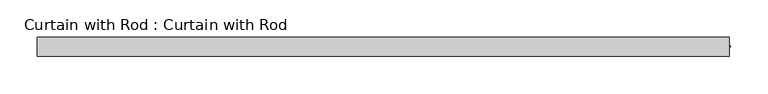
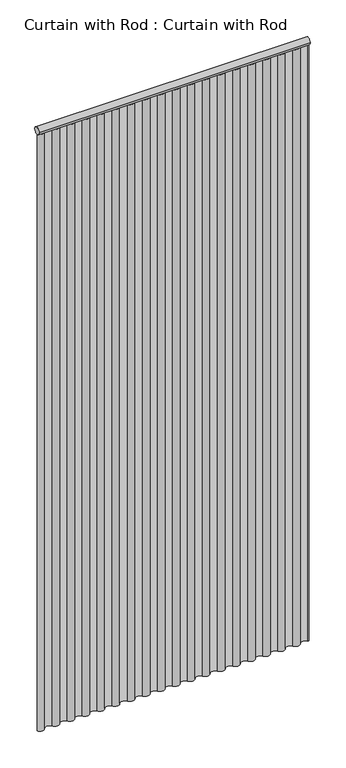
"""IFC4 building model written with IfcOpenShell, lengths in millimetres: proxy geometry, Curtain with Rod : Curtain with Rod."""

from ifc_helpers import new_model, si_unit, point, frame, frame_2d, origin, origin_with_axes, place, context, project, spatial, polyline, circle_curve, trimmed, segment, composite_curve, outline, extrude, source, transform, mapped, element, save


def curtain_with_rod_curtain_with_rod_ba70816f(model_context):
    return source(origin(), model_context, "Body", "SweptSolid", [
        extrude(outline(composite_curve([segment(trimmed(circle_curve(frame_2d((0.0, 2171.7)), 12.7), [point((12.7, 2171.7))], [point((-12.7, 2171.7))], False, "CARTESIAN"), True, "CONTINUOUS"), segment(trimmed(circle_curve(frame_2d((0.0, 2171.7)), 12.7), [point((-12.7, 2171.7))], [point((12.7, 2171.7))], False, "CARTESIAN"), True, "CONTINUOUS")], self_intersect=False)), frame((-464.34375, 0.0, 0.0), z_axis=(1.0, 0.0, 0.0), x_axis=(0.0, 1.0, 0.0)), (0.0, 0.0, 1.0), 928.6875),
        extrude(outline(composite_curve([segment(trimmed(circle_curve(frame_2d((-451.4453125, 7.485519)), 14.9131715), [point((-438.546875, 0.0))], [point((-464.34375, 0.0))], False, "CARTESIAN"), True, "CONTINUOUS"), segment(polyline([(-464.34375, 0.0), (-462.4773485, 0.0)]), True, "CONTINUOUS"), segment(trimmed(circle_curve(frame_2d((-451.4453125, 7.485519)), 13.3318721), [point((-462.4773485, 0.0))], [point((-439.9039725, 0.8119678))], True, "CARTESIAN"), True, "CONTINUOUS"), segment(trimmed(circle_curve(frame_2d((-425.6484375, -7.776692)), 16.642877), [point((-439.9039725, 0.8119678))], [point((-411.3956653, 0.8165519))], False, "CARTESIAN"), True, "CONTINUOUS"), segment(trimmed(circle_curve(frame_2d((-399.8515625, 7.776692)), 13.4799799), [point((-411.3956653, 0.8165519))], [point((-388.3074597, 0.8165519))], True, "CARTESIAN"), True, "CONTINUOUS"), segment(trimmed(circle_curve(frame_2d((-374.0546875, -7.776692)), 16.642877), [point((-388.3074597, 0.8165519))], [point((-359.8019153, 0.8165519))], False, "CARTESIAN"), True, "CONTINUOUS"), segment(trimmed(circle_curve(frame_2d((-348.2578125, 7.776692)), 13.4799799), [point((-359.8019153, 0.8165519))], [point((-336.7137097, 0.8165519))], True, "CARTESIAN"), True, "CONTINUOUS"), segment(trimmed(circle_curve(frame_2d((-322.4609375, -7.776692)), 16.642877), [point((-336.7137097, 0.8165519))], [point((-308.2081653, 0.8165519))], False, "CARTESIAN"), True, "CONTINUOUS"), segment(trimmed(circle_curve(frame_2d((-296.6640625, 7.776692)), 13.4799799), [point((-308.2081653, 0.8165519))], [point((-285.1199597, 0.8165519))], True, "CARTESIAN"), True, "CONTINUOUS"), segment(trimmed(circle_curve(frame_2d((-270.8671875, -7.776692)), 16.642877), [point((-285.1199597, 0.8165519))], [point((-256.6144153, 0.8165519))], False, "CARTESIAN"), True, "CONTINUOUS"), segment(trimmed(circle_curve(frame_2d((-245.0703125, 7.776692)), 13.4799799), [point((-256.6144153, 0.8165519))], [point((-233.5262097, 0.8165519))], True, "CARTESIAN"), True, "CONTINUOUS"), segment(trimmed(circle_curve(frame_2d((-219.2734375, -7.776692)), 16.642877), [point((-233.5262097, 0.8165519))], [point((-205.0206653, 0.8165519))], False, "CARTESIAN"), True, "CONTINUOUS"), segment(trimmed(circle_curve(frame_2d((-193.4765625, 7.776692)), 13.4799799), [point((-205.0206653, 0.8165519))], [point((-181.9324597, 0.8165519))], True, "CARTESIAN"), True, "CONTINUOUS"), segment(trimmed(circle_curve(frame_2d((-167.6796875, -7.776692)), 16.642877), [point((-181.9324597, 0.8165519))], [point((-153.4269153, 0.8165519))], False, "CARTESIAN"), True, "CONTINUOUS"), segment(trimmed(circle_curve(frame_2d((-141.8828125, 7.776692)), 13.4799799), [point((-153.4269153, 0.8165519))], [point((-130.3387097, 0.8165519))], True, "CARTESIAN"), True, "CONTINUOUS"), segment(trimmed(circle_curve(frame_2d((-116.0859375, -7.776692)), 16.642877), [point((-130.3387097, 0.8165519))], [point((-101.8331653, 0.8165519))], False, "CARTESIAN"), True, "CONTINUOUS"), segment(trimmed(circle_curve(frame_2d((-90.2890625, 7.776692)), 13.4799799), [point((-101.8331653, 0.8165519))], [point((-78.7449597, 0.8165519))], True, "CARTESIAN"), True, "CONTINUOUS"), segment(trimmed(circle_curve(frame_2d((-64.4921875, -7.776692)), 16.642877), [point((-78.7449597, 0.8165519))], [point((-50.2394153, 0.8165519))], False, "CARTESIAN"), True, "CONTINUOUS"), segment(trimmed(circle_curve(frame_2d((-38.6953125, 7.776692)), 13.4799799), [point((-50.2394153, 0.8165519))], [point((-27.1512097, 0.8165519))], True, "CARTESIAN"), True, "CONTINUOUS"), segment(trimmed(circle_curve(frame_2d((-12.8984375, -7.776692)), 16.642877), [point((-27.1512097, 0.8165519))], [point((1.3543347, 0.8165519))], False, "CARTESIAN"), True, "CONTINUOUS"), segment(trimmed(circle_curve(frame_2d((12.8984375, 7.776692)), 13.4799799), [point((1.3543347, 0.8165519))], [point((24.4425403, 0.8165519))], True, "CARTESIAN"), True, "CONTINUOUS"), segment(trimmed(circle_curve(frame_2d((38.6953125, -7.776692)), 16.642877), [point((24.4425403, 0.8165519))], [point((52.9480847, 0.8165519))], False, "CARTESIAN"), True, "CONTINUOUS"), segment(trimmed(circle_curve(frame_2d((64.4921875, 7.776692)), 13.4799799), [point((52.9480847, 0.8165519))], [point((76.0362903, 0.8165519))], True, "CARTESIAN"), True, "CONTINUOUS"), segment(trimmed(circle_curve(frame_2d((90.2890625, -7.776692)), 16.642877), [point((76.0362903, 0.8165519))], [point((104.5418347, 0.8165519))], False, "CARTESIAN"), True, "CONTINUOUS"), segment(trimmed(circle_curve(frame_2d((116.0859375, 7.776692)), 13.4799799), [point((104.5418347, 0.8165519))], [point((127.6300403, 0.8165519))], True, "CARTESIAN"), True, "CONTINUOUS"), segment(trimmed(circle_curve(frame_2d((141.8828125, -7.776692)), 16.642877), [point((127.6300403, 0.8165519))], [point((156.1355847, 0.8165519))], False, "CARTESIAN"), True, "CONTINUOUS"), segment(trimmed(circle_curve(frame_2d((167.6796875, 7.776692)), 13.4799799), [point((156.1355847, 0.8165519))], [point((179.2237903, 0.8165519))], True, "CARTESIAN"), True, "CONTINUOUS"), segment(trimmed(circle_curve(frame_2d((193.4765625, -7.776692)), 16.642877), [point((179.2237903, 0.8165519))], [point((207.7293347, 0.8165519))], False, "CARTESIAN"), True, "CONTINUOUS"), segment(trimmed(circle_curve(frame_2d((219.2734375, 7.776692)), 13.4799799), [point((207.7293347, 0.8165519))], [point((230.8175403, 0.8165519))], True, "CARTESIAN"), True, "CONTINUOUS"), segment(trimmed(circle_curve(frame_2d((245.0703125, -7.776692)), 16.642877), [point((230.8175403, 0.8165519))], [point((259.3230847, 0.8165519))], False, "CARTESIAN"), True, "CONTINUOUS"), segment(trimmed(circle_curve(frame_2d((270.8671875, 7.776692)), 13.4799799), [point((259.3230847, 0.8165519))], [point((282.4112903, 0.8165519))], True, "CARTESIAN"), True, "CONTINUOUS"), segment(trimmed(circle_curve(frame_2d((296.6640625, -7.776692)), 16.642877), [point((282.4112903, 0.8165519))], [point((310.9168347, 0.8165519))], False, "CARTESIAN"), True, "CONTINUOUS"), segment(trimmed(circle_curve(frame_2d((322.4609375, 7.776692)), 13.4799799), [point((310.9168347, 0.8165519))], [point((334.0050403, 0.8165519))], True, "CARTESIAN"), True, "CONTINUOUS"), segment(trimmed(circle_curve(frame_2d((348.2578125, -7.776692)), 16.642877), [point((334.0050403, 0.8165519))], [point((362.5105847, 0.8165519))], False, "CARTESIAN"), True, "CONTINUOUS"), segment(trimmed(circle_curve(frame_2d((374.0546875, 7.776692)), 13.4799799), [point((362.5105847, 0.8165519))], [point((385.5976798, 0.8147104))], True, "CARTESIAN"), True, "CONTINUOUS"), segment(trimmed(circle_curve(frame_2d((399.8515625, -7.7823037)), 16.6457749), [point((385.5976798, 0.8147104))], [point((414.1174519, 0.7947716))], False, "CARTESIAN"), True, "CONTINUOUS"), segment(trimmed(circle_curve(frame_2d((425.6484375, 7.7275418)), 13.4546249), [point((414.1174519, 0.7947716))], [point((437.1211234, 0.6987149))], True, "CARTESIAN"), True, "CONTINUOUS"), segment(trimmed(circle_curve(frame_2d((451.4453125, -8.0771067)), 16.7987332), [point((437.1211234, 0.6987149))], [point((466.1747994, 0.0))], False, "CARTESIAN"), True, "CONTINUOUS"), segment(polyline([(466.1747994, 0.0), (464.34375, 0.0)]), True, "CONTINUOUS"), segment(trimmed(circle_curve(frame_2d((451.4453125, -8.0771067)), 15.2187169), [point((464.34375, 0.0))], [point((438.546875, 0.0))], True, "CARTESIAN"), True, "CONTINUOUS"), segment(trimmed(circle_curve(frame_2d((425.6484375, 7.7275418)), 15.0361096), [point((438.546875, 0.0))], [point((412.75, 0.0))], False, "CARTESIAN"), True, "CONTINUOUS"), segment(trimmed(circle_curve(frame_2d((399.8515625, -7.7823037)), 15.0643268), [point((412.75, 0.0))], [point((386.953125, 0.0))], True, "CARTESIAN"), True, "CONTINUOUS"), segment(trimmed(circle_curve(frame_2d((374.0546875, 7.776692)), 15.0614285), [point((386.953125, 0.0))], [point((361.15625, 0.0))], False, "CARTESIAN"), True, "CONTINUOUS"), segment(trimmed(circle_curve(frame_2d((348.2578125, -7.776692)), 15.0614285), [point((361.15625, 0.0))], [point((335.359375, 0.0))], True, "CARTESIAN"), True, "CONTINUOUS"), segment(trimmed(circle_curve(frame_2d((322.4609375, 7.776692)), 15.0614285), [point((335.359375, 0.0))], [point((309.5625, 0.0))], False, "CARTESIAN"), True, "CONTINUOUS"), segment(trimmed(circle_curve(frame_2d((296.6640625, -7.776692)), 15.0614285), [point((309.5625, 0.0))], [point((283.765625, 0.0))], True, "CARTESIAN"), True, "CONTINUOUS"), segment(trimmed(circle_curve(frame_2d((270.8671875, 7.776692)), 15.0614285), [point((283.765625, 0.0))], [point((257.96875, 0.0))], False, "CARTESIAN"), True, "CONTINUOUS"), segment(trimmed(circle_curve(frame_2d((245.0703125, -7.776692)), 15.0614285), [point((257.96875, 0.0))], [point((232.171875, 0.0))], True, "CARTESIAN"), True, "CONTINUOUS"), segment(trimmed(circle_curve(frame_2d((219.2734375, 7.776692)), 15.0614285), [point((232.171875, 0.0))], [point((206.375, 0.0))], False, "CARTESIAN"), True, "CONTINUOUS"), segment(trimmed(circle_curve(frame_2d((193.4765625, -7.776692)), 15.0614285), [point((206.375, 0.0))], [point((180.578125, 0.0))], True, "CARTESIAN"), True, "CONTINUOUS"), segment(trimmed(circle_curve(frame_2d((167.6796875, 7.776692)), 15.0614285), [point((180.578125, 0.0))], [point((154.78125, 0.0))], False, "CARTESIAN"), True, "CONTINUOUS"), segment(trimmed(circle_curve(frame_2d((141.8828125, -7.776692)), 15.0614285), [point((154.78125, 0.0))], [point((128.984375, 0.0))], True, "CARTESIAN"), True, "CONTINUOUS"), segment(trimmed(circle_curve(frame_2d((116.0859375, 7.776692)), 15.0614285), [point((128.984375, 0.0))], [point((103.1875, 0.0))], False, "CARTESIAN"), True, "CONTINUOUS"), segment(trimmed(circle_curve(frame_2d((90.2890625, -7.776692)), 15.0614285), [point((103.1875, 0.0))], [point((77.390625, 0.0))], True, "CARTESIAN"), True, "CONTINUOUS"), segment(trimmed(circle_curve(frame_2d((64.4921875, 7.776692)), 15.0614285), [point((77.390625, 0.0))], [point((51.59375, 0.0))], False, "CARTESIAN"), True, "CONTINUOUS"), segment(trimmed(circle_curve(frame_2d((38.6953125, -7.776692)), 15.0614285), [point((51.59375, 0.0))], [point((25.796875, 0.0))], True, "CARTESIAN"), True, "CONTINUOUS"), segment(trimmed(circle_curve(frame_2d((12.8984375, 7.776692)), 15.0614285), [point((25.796875, 0.0))], [point((0.0, 0.0))], False, "CARTESIAN"), True, "CONTINUOUS"), segment(trimmed(circle_curve(frame_2d((-12.8984375, -7.776692)), 15.0614285), [point((0.0, 0.0))], [point((-25.796875, 0.0))], True, "CARTESIAN"), True, "CONTINUOUS"), segment(trimmed(circle_curve(frame_2d((-38.6953125, 7.776692)), 15.0614285), [point((-25.796875, 0.0))], [point((-51.59375, 0.0))], False, "CARTESIAN"), True, "CONTINUOUS"), segment(trimmed(circle_curve(frame_2d((-64.4921875, -7.776692)), 15.0614285), [point((-51.59375, 0.0))], [point((-77.390625, 0.0))], True, "CARTESIAN"), True, "CONTINUOUS"), segment(trimmed(circle_curve(frame_2d((-90.2890625, 7.776692)), 15.0614285), [point((-77.390625, 0.0))], [point((-103.1875, 0.0))], False, "CARTESIAN"), True, "CONTINUOUS"), segment(trimmed(circle_curve(frame_2d((-116.0859375, -7.776692)), 15.0614285), [point((-103.1875, 0.0))], [point((-128.984375, 0.0))], True, "CARTESIAN"), True, "CONTINUOUS"), segment(trimmed(circle_curve(frame_2d((-141.8828125, 7.776692)), 15.0614285), [point((-128.984375, 0.0))], [point((-154.78125, 0.0))], False, "CARTESIAN"), True, "CONTINUOUS"), segment(trimmed(circle_curve(frame_2d((-167.6796875, -7.776692)), 15.0614285), [point((-154.78125, 0.0))], [point((-180.578125, 0.0))], True, "CARTESIAN"), True, "CONTINUOUS"), segment(trimmed(circle_curve(frame_2d((-193.4765625, 7.776692)), 15.0614285), [point((-180.578125, 0.0))], [point((-206.375, 0.0))], False, "CARTESIAN"), True, "CONTINUOUS"), segment(trimmed(circle_curve(frame_2d((-219.2734375, -7.776692)), 15.0614285), [point((-206.375, 0.0))], [point((-232.171875, 0.0))], True, "CARTESIAN"), True, "CONTINUOUS"), segment(trimmed(circle_curve(frame_2d((-245.0703125, 7.776692)), 15.0614285), [point((-232.171875, 0.0))], [point((-257.96875, 0.0))], False, "CARTESIAN"), True, "CONTINUOUS"), segment(trimmed(circle_curve(frame_2d((-270.8671875, -7.776692)), 15.0614285), [point((-257.96875, 0.0))], [point((-283.765625, 0.0))], True, "CARTESIAN"), True, "CONTINUOUS"), segment(trimmed(circle_curve(frame_2d((-296.6640625, 7.776692)), 15.0614285), [point((-283.765625, 0.0))], [point((-309.5625, 0.0))], False, "CARTESIAN"), True, "CONTINUOUS"), segment(trimmed(circle_curve(frame_2d((-322.4609375, -7.776692)), 15.0614285), [point((-309.5625, 0.0))], [point((-335.359375, 0.0))], True, "CARTESIAN"), True, "CONTINUOUS"), segment(trimmed(circle_curve(frame_2d((-348.2578125, 7.776692)), 15.0614285), [point((-335.359375, 0.0))], [point((-361.15625, 0.0))], False, "CARTESIAN"), True, "CONTINUOUS"), segment(trimmed(circle_curve(frame_2d((-374.0546875, -7.776692)), 15.0614285), [point((-361.15625, 0.0))], [point((-386.953125, 0.0))], True, "CARTESIAN"), True, "CONTINUOUS"), segment(trimmed(circle_curve(frame_2d((-399.8515625, 7.776692)), 15.0614285), [point((-386.953125, 0.0))], [point((-412.75, 0.0))], False, "CARTESIAN"), True, "CONTINUOUS"), segment(trimmed(circle_curve(frame_2d((-425.6484375, -7.776692)), 15.0614285), [point((-412.75, 0.0))], [point((-438.546875, 0.0))], True, "CARTESIAN"), True, "CONTINUOUS")], self_intersect=False)), origin_with_axes(), (0.0, 0.0, 1.0), 2159.0),
    ])


if __name__ == "__main__":
    model = new_model("IFC4")
    model_context = context("Model", 3, world=origin())
    ifc_project = project(units=[si_unit("LENGTHUNIT", "METRE", prefix="MILLI")], contexts=[model_context])
    site = spatial("IfcSite", under=ifc_project)
    building = spatial("IfcBuilding", under=site)
    placement = place(None, origin())
    curtain_with_rod_curtain_with_rod_shape = curtain_with_rod_curtain_with_rod_ba70816f(model_context)
    element("IfcBuildingElementProxy", 1, Name="Curtain with Rod : Curtain with Rod", ObjectType="Curtain with Rod : Curtain with Rod", at=placement, inside=building, context=model_context, shape_type="MappedRepresentation", body=[
        mapped(curtain_with_rod_curtain_with_rod_shape, transform((0.0, 0.0, 0.0), x_axis=(1.0, 0.0, 0.0), y_axis=(0.0, 1.0, 0.0), z_axis=(0.0, 0.0, 1.0))),
    ])
    save(model, "model.ifc")
